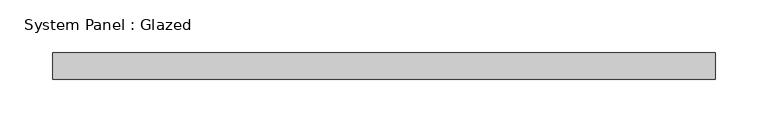
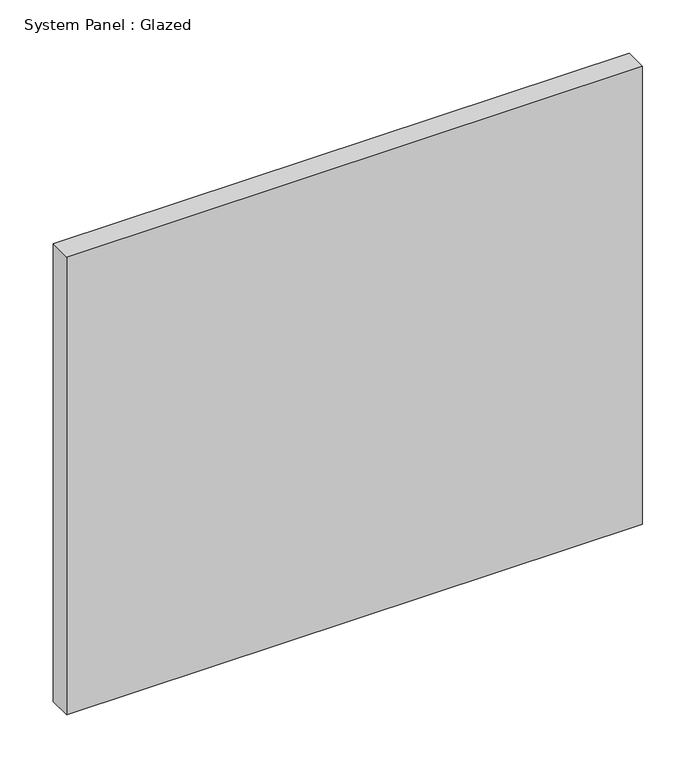
"""IFC4 building model written with IfcOpenShell, lengths in millimetres: plate geometry, System Panel : Glazed."""

import ifcopenshell
import ifcopenshell.guid

model = None  # the IFC model being written
_history = None  # IfcOwnerHistory: only IFC2X3 demands one
_inside = {}  # id of a spatial element -> (the spatial element, [elements in it])
_under = {}  # id of a project, library or spatial element -> (it, [spatial elements below it])
_declared = {}  # id of a project -> (the project, [libraries it declares])
_typed = {}  # id of a type object -> (the type object, [elements of that type])
_made_of = {}  # id of a material, layer set ... -> (it, [elements and type objects made of it])


def new_model(schema):
    """Start an empty IFC model of exactly this schema.

    Asked for "IFC4X3", IfcOpenShell would pick the latest addendum, in which some entities
    have other attributes; the version numbers below select the first issue.
    IFC2X3 requires an IfcOwnerHistory on every rooted entity: one is made here for all.
    """
    global model, _history
    if schema == "IFC4X3":
        model = ifcopenshell.file(schema_version=(4, 3, 0, 0))
    else:
        model = ifcopenshell.file(schema=schema)
    _inside.clear()
    _under.clear()
    _declared.clear()
    _typed.clear()
    _made_of.clear()
    _history = None
    if model.schema == "IFC2X3":
        org = make("IfcOrganization", Name="unknown")
        user = make(
            "IfcPersonAndOrganization",
            ThePerson=make("IfcPerson", FamilyName="unknown"),
            TheOrganization=org,
        )
        app = make(
            "IfcApplication",
            ApplicationDeveloper=org,
            Version="unknown",
            ApplicationFullName="unknown",
            ApplicationIdentifier="unknown",
        )
        _history = make(
            "IfcOwnerHistory",
            OwningUser=user,
            OwningApplication=app,
            ChangeAction="ADDED",
            CreationDate=0,
        )
    return model


def make(cls, **values):
    """One entity of the class cls with the attributes given. An attribute that is None is left unset."""
    return model.create_entity(
        cls, **{name: value for name, value in values.items() if value is not None}
    )


def rooted(cls, **values):
    """An entity with a GlobalId (a new one), such as an element, a storey or a relation."""
    return make(cls, GlobalId=ifcopenshell.guid.new(), OwnerHistory=_history, **values)


def si_unit(unit_type, name, prefix=None):
    """IfcSIUnit, for example si_unit("LENGTHUNIT", "METRE", prefix="MILLI")."""
    return make("IfcSIUnit", UnitType=unit_type, Prefix=prefix, Name=name)


def assignment(units):
    """IfcUnitAssignment: the units of a project."""
    return None if units is None else make("IfcUnitAssignment", Units=units)


def point(xyz):
    """IfcCartesianPoint."""
    return None if xyz is None else make("IfcCartesianPoint", Coordinates=xyz)


def direction(xyz):
    """IfcDirection."""
    return None if xyz is None else make("IfcDirection", DirectionRatios=xyz)


def frame(location, z_axis=None, x_axis=None):
    """IfcAxis2Placement3D, a coordinate frame: its origin and axes. An axis left out is left unset."""
    return make(
        "IfcAxis2Placement3D",
        Location=point(location),
        Axis=direction(z_axis),
        RefDirection=direction(x_axis),
    )


def origin():
    """The frame at (0, 0, 0) with its axes left unset."""
    return frame((0.0, 0.0, 0.0))


def origin_with_axes():
    """The frame at (0, 0, 0) with the z axis (0, 0, 1) and the x axis (1, 0, 0) written out."""
    return frame((0.0, 0.0, 0.0), z_axis=(0.0, 0.0, 1.0), x_axis=(1.0, 0.0, 0.0))


def place(relative_to, where):
    """IfcLocalPlacement: puts the frame where relative to a parent placement (None: the world)."""
    return make(
        "IfcLocalPlacement", PlacementRelTo=relative_to, RelativePlacement=where
    )


def context(
    kind, dimensions, precision=None, world=None, true_north=None, identifier=None
):
    """IfcGeometricRepresentationContext, for example the 3D "Model" context."""
    return make(
        "IfcGeometricRepresentationContext",
        ContextIdentifier=identifier,
        ContextType=kind,
        CoordinateSpaceDimension=dimensions,
        Precision=precision,
        WorldCoordinateSystem=world,
        TrueNorth=true_north,
    )


def project(units=None, contexts=None):
    """IfcProject with its units and contexts."""
    return rooted(
        "IfcProject",
        Name="project",
        RepresentationContexts=contexts,
        UnitsInContext=assignment(units),
    )


def spatial(cls, under=None, at=None, **own):
    """A site, building, storey or space (cls), placed at a placement, below another one or the project."""
    s = rooted(cls, ObjectPlacement=at, **own)
    if under is not None:
        _under.setdefault(under.id(), (under, []))[1].append(s)
    return s


def polyline(points):
    """IfcPolyline through the points."""
    return make("IfcPolyline", Points=[point(p) for p in points])


def outline(outer, holes=None, kind="AREA"):
    """IfcArbitraryClosedProfileDef: a profile drawn as a closed curve; with holes, ...WithVoids."""
    if holes is None:
        return make("IfcArbitraryClosedProfileDef", ProfileType=kind, OuterCurve=outer)
    return make(
        "IfcArbitraryProfileDefWithVoids",
        ProfileType=kind,
        OuterCurve=outer,
        InnerCurves=holes,
    )


def extrude(swept, where, along, depth):
    """IfcExtrudedAreaSolid: the profile swept, set in the frame where, extruded along a direction by depth."""
    return make(
        "IfcExtrudedAreaSolid",
        SweptArea=swept,
        Position=where,
        ExtrudedDirection=direction(along),
        Depth=depth,
    )


def shape(context_of_items, identifier, shape_type, items):
    """IfcShapeRepresentation: the items that make up one representation, for example the "Body"."""
    return make(
        "IfcShapeRepresentation",
        ContextOfItems=context_of_items,
        RepresentationIdentifier=identifier,
        RepresentationType=shape_type,
        Items=items,
    )


def source(mapping_origin, context_of_items, identifier, shape_type, items):
    """IfcRepresentationMap: a shape defined once, which mapped items show again and again."""
    return make(
        "IfcRepresentationMap",
        MappingOrigin=mapping_origin,
        MappedRepresentation=shape(context_of_items, identifier, shape_type, items),
    )


def transform(
    local_origin,
    x_axis=None,
    y_axis=None,
    z_axis=None,
    scale=None,
    scale2=None,
    scale3=None,
    uniform=True,
):
    """IfcCartesianTransformationOperator3D, or its non-uniform kind. x_axis, y_axis, z_axis: its Axis1, 2, 3."""
    if uniform:
        return make(
            "IfcCartesianTransformationOperator3D",
            Axis1=direction(x_axis),
            Axis2=direction(y_axis),
            LocalOrigin=point(local_origin),
            Scale=scale,
            Axis3=direction(z_axis),
        )
    return make(
        "IfcCartesianTransformationOperator3DnonUniform",
        Axis1=direction(x_axis),
        Axis2=direction(y_axis),
        LocalOrigin=point(local_origin),
        Scale=scale,
        Axis3=direction(z_axis),
        Scale2=scale2,
        Scale3=scale3,
    )


def mapped(mapping_source, mapping_target):
    """IfcMappedItem: shows the shape of a source again, moved by a transform."""
    return make(
        "IfcMappedItem", MappingSource=mapping_source, MappingTarget=mapping_target
    )


def made_of(thing, what):
    """Note that an element or type object is made of a material, layer set ...; save() writes the relation."""
    if what is not None:
        _made_of.setdefault(what.id(), (what, []))[1].append(thing)
    return thing


def element(
    cls,
    number,
    at=None,
    inside=None,
    cuts=None,
    type_object=None,
    material=None,
    context=None,
    identifier="Body",
    shape_type=None,
    held_by="IfcProductDefinitionShape",
    body=None,
    shapes=None,
    **own,
):
    """One element of the class cls, such as IfcWall. Its Tag is "e" and its number.

    at: its placement. inside: the storey or other place that contains it. cuts: it is an
    opening in that element (IfcRelVoidsElement). A single representation is given by context,
    identifier, shape_type and body (its items); several are given by shapes. held_by: the class
    of the entity that holds the representations. save() writes the other relations.
    """
    e = rooted(cls, Tag="e%d" % number, ObjectPlacement=at, **own)
    if body is not None:
        shapes = [shape(context, identifier, shape_type, body)]
    if shapes is not None:
        e.Representation = make(held_by, Representations=shapes)
    if inside is not None:
        _inside.setdefault(inside.id(), (inside, []))[1].append(e)
    if cuts is not None:
        rooted(
            "IfcRelVoidsElement", RelatingBuildingElement=cuts, RelatedOpeningElement=e
        )
    if type_object is not None:
        _typed.setdefault(type_object.id(), (type_object, []))[1].append(e)
    return made_of(e, material)


def aggregate(whole, parts):
    """IfcRelAggregates: a whole, such as a stair, and the parts it consists of."""
    return rooted("IfcRelAggregates", RelatingObject=whole, RelatedObjects=parts)


def save(model, path):
    """Write the relations noted so far, then the file.

    IfcRelAggregates (storeys below a building ...), IfcRelContainedInSpatialStructure (elements
    in a storey), IfcRelDefinesByType, IfcRelAssociatesMaterial and IfcRelDeclares: one each for
    every whole, place, type object, material and project.
    """
    for whole, parts in _under.values():
        aggregate(whole, parts)
    for where, things in _inside.values():
        rooted(
            "IfcRelContainedInSpatialStructure",
            RelatedElements=things,
            RelatingStructure=where,
        )
    for kind, things in _typed.values():
        rooted("IfcRelDefinesByType", RelatedObjects=things, RelatingType=kind)
    for what, things in _made_of.values():
        rooted("IfcRelAssociatesMaterial", RelatedObjects=things, RelatingMaterial=what)
    for by, libraries in _declared.values():
        rooted("IfcRelDeclares", RelatingContext=by, RelatedDefinitions=libraries)
    model.write(path)


def system_panel_glazed_28b3cb35(model_context):
    return source(origin(), model_context, "Body", "SweptSolid", [
        extrude(outline(polyline([(312.5, -49.5), (-312.5, -49.5), (-312.5, -24.5), (312.5, -24.5), (312.5, -49.5)])), origin_with_axes(), (0.0, 0.0, 1.0), 525.0),
    ])


if __name__ == "__main__":
    model = new_model("IFC4")
    model_context = context("Model", 3, world=origin())
    ifc_project = project(units=[si_unit("LENGTHUNIT", "METRE", prefix="MILLI")], contexts=[model_context])
    site = spatial("IfcSite", under=ifc_project)
    building = spatial("IfcBuilding", under=site)
    placement = place(None, origin())
    system_panel_glazed_shape = system_panel_glazed_28b3cb35(model_context)
    element("IfcPlate", 1, ObjectType="System Panel : Glazed", at=placement, inside=building, context=model_context, shape_type="MappedRepresentation", body=[
        mapped(system_panel_glazed_shape, transform((0.0, 0.0, 0.0), x_axis=(1.0, 0.0, 0.0), y_axis=(0.0, 1.0, 0.0), z_axis=(0.0, 0.0, 1.0))),
    ])
    save(model, "model.ifc")
